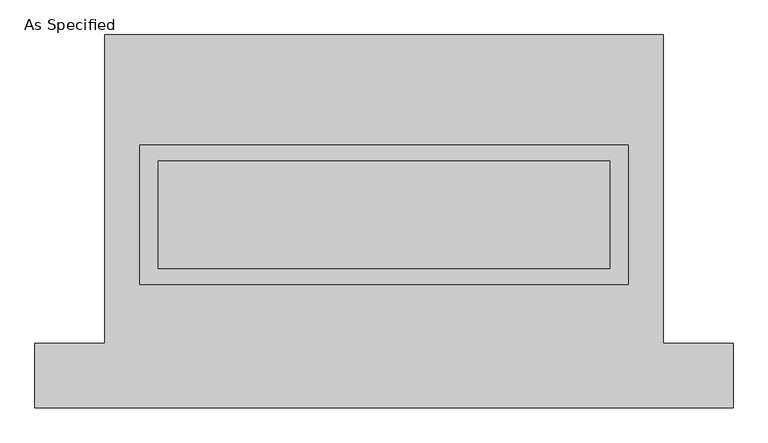
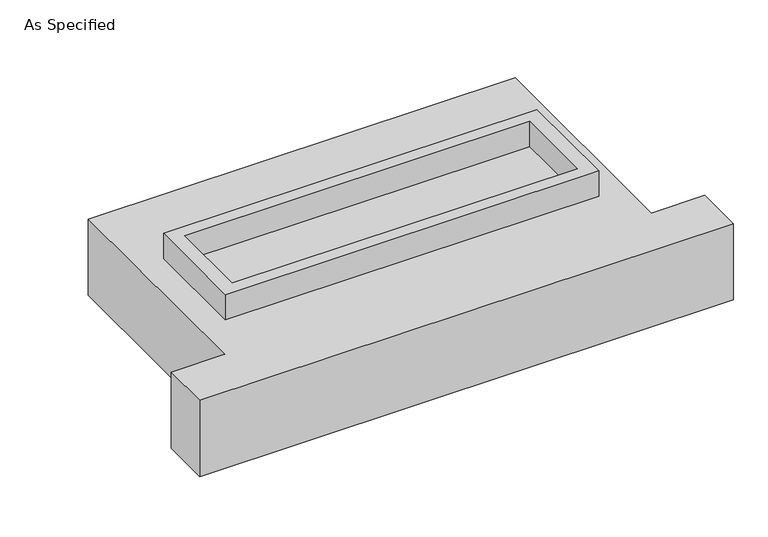
"""IFC4 building model written with IfcOpenShell, lengths in millimetres: proxy geometry, As Specified."""

import ifcopenshell
import ifcopenshell.guid

model = None  # the IFC model being written
_history = None  # IfcOwnerHistory: only IFC2X3 demands one
_inside = {}  # id of a spatial element -> (the spatial element, [elements in it])
_under = {}  # id of a project, library or spatial element -> (it, [spatial elements below it])
_declared = {}  # id of a project -> (the project, [libraries it declares])
_typed = {}  # id of a type object -> (the type object, [elements of that type])
_made_of = {}  # id of a material, layer set ... -> (it, [elements and type objects made of it])


def new_model(schema):
    """Start an empty IFC model of exactly this schema.

    Asked for "IFC4X3", IfcOpenShell would pick the latest addendum, in which some entities
    have other attributes; the version numbers below select the first issue.
    IFC2X3 requires an IfcOwnerHistory on every rooted entity: one is made here for all.
    """
    global model, _history
    if schema == "IFC4X3":
        model = ifcopenshell.file(schema_version=(4, 3, 0, 0))
    else:
        model = ifcopenshell.file(schema=schema)
    _inside.clear()
    _under.clear()
    _declared.clear()
    _typed.clear()
    _made_of.clear()
    _history = None
    if model.schema == "IFC2X3":
        org = make("IfcOrganization", Name="unknown")
        user = make(
            "IfcPersonAndOrganization",
            ThePerson=make("IfcPerson", FamilyName="unknown"),
            TheOrganization=org,
        )
        app = make(
            "IfcApplication",
            ApplicationDeveloper=org,
            Version="unknown",
            ApplicationFullName="unknown",
            ApplicationIdentifier="unknown",
        )
        _history = make(
            "IfcOwnerHistory",
            OwningUser=user,
            OwningApplication=app,
            ChangeAction="ADDED",
            CreationDate=0,
        )
    return model


def make(cls, **values):
    """One entity of the class cls with the attributes given. An attribute that is None is left unset."""
    return model.create_entity(
        cls, **{name: value for name, value in values.items() if value is not None}
    )


def rooted(cls, **values):
    """An entity with a GlobalId (a new one), such as an element, a storey or a relation."""
    return make(cls, GlobalId=ifcopenshell.guid.new(), OwnerHistory=_history, **values)


def si_unit(unit_type, name, prefix=None):
    """IfcSIUnit, for example si_unit("LENGTHUNIT", "METRE", prefix="MILLI")."""
    return make("IfcSIUnit", UnitType=unit_type, Prefix=prefix, Name=name)


def assignment(units):
    """IfcUnitAssignment: the units of a project."""
    return None if units is None else make("IfcUnitAssignment", Units=units)


def point(xyz):
    """IfcCartesianPoint."""
    return None if xyz is None else make("IfcCartesianPoint", Coordinates=xyz)


def direction(xyz):
    """IfcDirection."""
    return None if xyz is None else make("IfcDirection", DirectionRatios=xyz)


def frame(location, z_axis=None, x_axis=None):
    """IfcAxis2Placement3D, a coordinate frame: its origin and axes. An axis left out is left unset."""
    return make(
        "IfcAxis2Placement3D",
        Location=point(location),
        Axis=direction(z_axis),
        RefDirection=direction(x_axis),
    )


def origin():
    """The frame at (0, 0, 0) with its axes left unset."""
    return frame((0.0, 0.0, 0.0))


def place(relative_to, where):
    """IfcLocalPlacement: puts the frame where relative to a parent placement (None: the world)."""
    return make(
        "IfcLocalPlacement", PlacementRelTo=relative_to, RelativePlacement=where
    )


def context(
    kind, dimensions, precision=None, world=None, true_north=None, identifier=None
):
    """IfcGeometricRepresentationContext, for example the 3D "Model" context."""
    return make(
        "IfcGeometricRepresentationContext",
        ContextIdentifier=identifier,
        ContextType=kind,
        CoordinateSpaceDimension=dimensions,
        Precision=precision,
        WorldCoordinateSystem=world,
        TrueNorth=true_north,
    )


def project(units=None, contexts=None):
    """IfcProject with its units and contexts."""
    return rooted(
        "IfcProject",
        Name="project",
        RepresentationContexts=contexts,
        UnitsInContext=assignment(units),
    )


def spatial(cls, under=None, at=None, **own):
    """A site, building, storey or space (cls), placed at a placement, below another one or the project."""
    s = rooted(cls, ObjectPlacement=at, **own)
    if under is not None:
        _under.setdefault(under.id(), (under, []))[1].append(s)
    return s


def polyline(points):
    """IfcPolyline through the points."""
    return make("IfcPolyline", Points=[point(p) for p in points])


def outline(outer, holes=None, kind="AREA"):
    """IfcArbitraryClosedProfileDef: a profile drawn as a closed curve; with holes, ...WithVoids."""
    if holes is None:
        return make("IfcArbitraryClosedProfileDef", ProfileType=kind, OuterCurve=outer)
    return make(
        "IfcArbitraryProfileDefWithVoids",
        ProfileType=kind,
        OuterCurve=outer,
        InnerCurves=holes,
    )


def extrude(swept, where, along, depth):
    """IfcExtrudedAreaSolid: the profile swept, set in the frame where, extruded along a direction by depth."""
    return make(
        "IfcExtrudedAreaSolid",
        SweptArea=swept,
        Position=where,
        ExtrudedDirection=direction(along),
        Depth=depth,
    )


def shape(context_of_items, identifier, shape_type, items):
    """IfcShapeRepresentation: the items that make up one representation, for example the "Body"."""
    return make(
        "IfcShapeRepresentation",
        ContextOfItems=context_of_items,
        RepresentationIdentifier=identifier,
        RepresentationType=shape_type,
        Items=items,
    )


def source(mapping_origin, context_of_items, identifier, shape_type, items):
    """IfcRepresentationMap: a shape defined once, which mapped items show again and again."""
    return make(
        "IfcRepresentationMap",
        MappingOrigin=mapping_origin,
        MappedRepresentation=shape(context_of_items, identifier, shape_type, items),
    )


def transform(
    local_origin,
    x_axis=None,
    y_axis=None,
    z_axis=None,
    scale=None,
    scale2=None,
    scale3=None,
    uniform=True,
):
    """IfcCartesianTransformationOperator3D, or its non-uniform kind. x_axis, y_axis, z_axis: its Axis1, 2, 3."""
    if uniform:
        return make(
            "IfcCartesianTransformationOperator3D",
            Axis1=direction(x_axis),
            Axis2=direction(y_axis),
            LocalOrigin=point(local_origin),
            Scale=scale,
            Axis3=direction(z_axis),
        )
    return make(
        "IfcCartesianTransformationOperator3DnonUniform",
        Axis1=direction(x_axis),
        Axis2=direction(y_axis),
        LocalOrigin=point(local_origin),
        Scale=scale,
        Axis3=direction(z_axis),
        Scale2=scale2,
        Scale3=scale3,
    )


def mapped(mapping_source, mapping_target):
    """IfcMappedItem: shows the shape of a source again, moved by a transform."""
    return make(
        "IfcMappedItem", MappingSource=mapping_source, MappingTarget=mapping_target
    )


def made_of(thing, what):
    """Note that an element or type object is made of a material, layer set ...; save() writes the relation."""
    if what is not None:
        _made_of.setdefault(what.id(), (what, []))[1].append(thing)
    return thing


def element(
    cls,
    number,
    at=None,
    inside=None,
    cuts=None,
    type_object=None,
    material=None,
    context=None,
    identifier="Body",
    shape_type=None,
    held_by="IfcProductDefinitionShape",
    body=None,
    shapes=None,
    **own,
):
    """One element of the class cls, such as IfcWall. Its Tag is "e" and its number.

    at: its placement. inside: the storey or other place that contains it. cuts: it is an
    opening in that element (IfcRelVoidsElement). A single representation is given by context,
    identifier, shape_type and body (its items); several are given by shapes. held_by: the class
    of the entity that holds the representations. save() writes the other relations.
    """
    e = rooted(cls, Tag="e%d" % number, ObjectPlacement=at, **own)
    if body is not None:
        shapes = [shape(context, identifier, shape_type, body)]
    if shapes is not None:
        e.Representation = make(held_by, Representations=shapes)
    if inside is not None:
        _inside.setdefault(inside.id(), (inside, []))[1].append(e)
    if cuts is not None:
        rooted(
            "IfcRelVoidsElement", RelatingBuildingElement=cuts, RelatedOpeningElement=e
        )
    if type_object is not None:
        _typed.setdefault(type_object.id(), (type_object, []))[1].append(e)
    return made_of(e, material)


def aggregate(whole, parts):
    """IfcRelAggregates: a whole, such as a stair, and the parts it consists of."""
    return rooted("IfcRelAggregates", RelatingObject=whole, RelatedObjects=parts)


def save(model, path):
    """Write the relations noted so far, then the file.

    IfcRelAggregates (storeys below a building ...), IfcRelContainedInSpatialStructure (elements
    in a storey), IfcRelDefinesByType, IfcRelAssociatesMaterial and IfcRelDeclares: one each for
    every whole, place, type object, material and project.
    """
    for whole, parts in _under.values():
        aggregate(whole, parts)
    for where, things in _inside.values():
        rooted(
            "IfcRelContainedInSpatialStructure",
            RelatedElements=things,
            RelatingStructure=where,
        )
    for kind, things in _typed.values():
        rooted("IfcRelDefinesByType", RelatedObjects=things, RelatingType=kind)
    for what, things in _made_of.values():
        rooted("IfcRelAssociatesMaterial", RelatedObjects=things, RelatingMaterial=what)
    for by, libraries in _declared.values():
        rooted("IfcRelDeclares", RelatingContext=by, RelatedDefinitions=libraries)
    model.write(path)


def as_specified_a232ba4c(model_context):
    return source(origin(), model_context, "Body", "SweptSolid", [
        extrude(outline(polyline([(1155.7, 361.95), (1155.7, -298.45), (-1155.7, -298.45), (-1155.7, 361.95), (1155.7, 361.95)]), holes=[polyline([(1066.8, 285.75), (-1066.8, 285.75), (-1066.8, -222.25), (1066.8, -222.25), (1066.8, 285.75)])]), frame((0.0, 0.0, -688.975), z_axis=(0.0, 0.0, 1.0), x_axis=(1.0, 0.0, 0.0)), (0.0, 0.0, 1.0), 165.1),
        extrude(outline(polyline([(1155.7, 361.95), (1155.7, -298.45), (-1155.7, -298.45), (-1155.7, 361.95), (1155.7, 361.95)]), holes=[polyline([(1066.8, 285.75), (-1066.8, 285.75), (-1066.8, -222.25), (1066.8, -222.25), (1066.8, 285.75)])]), frame((0.0, 0.0, -25.4), z_axis=(0.0, 0.0, 1.0), x_axis=(1.0, 0.0, 0.0)), (0.0, 0.0, 1.0), 165.1),
        extrude(outline(polyline([(1066.8, 285.75), (1066.8, -222.25), (-1066.8, -222.25), (-1066.8, 285.75), (1066.8, 285.75)])), frame((0.0, 0.0, -523.875), z_axis=(0.0, 0.0, 1.0), x_axis=(1.0, 0.0, 0.0)), (0.0, 0.0, 1.0), 4.9609375),
        extrude(outline(polyline([(1066.8, 285.75), (1066.8, -222.25), (-1066.8, -222.25), (-1066.8, 285.75), (1066.8, 285.75)])), frame((0.0, 0.0, -30.3609375), z_axis=(0.0, 0.0, 1.0), x_axis=(1.0, 0.0, 0.0)), (0.0, 0.0, 1.0), 4.9609375),
        extrude(outline(polyline([(-1320.8, 882.65), (1320.8, 882.65), (1320.8, -577.85), (1651.0, -577.85), (1651.0, -882.65), (-1651.0, -882.65), (-1651.0, -577.85), (-1320.8, -577.85), (-1320.8, 882.65)]), holes=[polyline([(-1155.7, 361.95), (-1155.7, -298.45), (1155.7, -298.45), (1155.7, 361.95), (-1155.7, 361.95)])]), frame((0.0, 0.0, -523.875), z_axis=(0.0, 0.0, 1.0), x_axis=(1.0, 0.0, 0.0)), (0.0, 0.0, 1.0), 498.475),
    ])


if __name__ == "__main__":
    model = new_model("IFC4")
    model_context = context("Model", 3, world=origin())
    ifc_project = project(units=[si_unit("LENGTHUNIT", "METRE", prefix="MILLI")], contexts=[model_context])
    site = spatial("IfcSite", under=ifc_project)
    building = spatial("IfcBuilding", under=site)
    placement = place(None, origin())
    as_specified_shape = as_specified_a232ba4c(model_context)
    element("IfcBuildingElementProxy", 1, Name="As Specified", ObjectType="As Specified", at=placement, inside=building, context=model_context, shape_type="MappedRepresentation", body=[
        mapped(as_specified_shape, transform((0.0, 0.0, 0.0), x_axis=(1.0, 0.0, 0.0), y_axis=(0.0, 1.0, 0.0), z_axis=(0.0, 0.0, 1.0))),
    ])
    save(model, "model.ifc")
